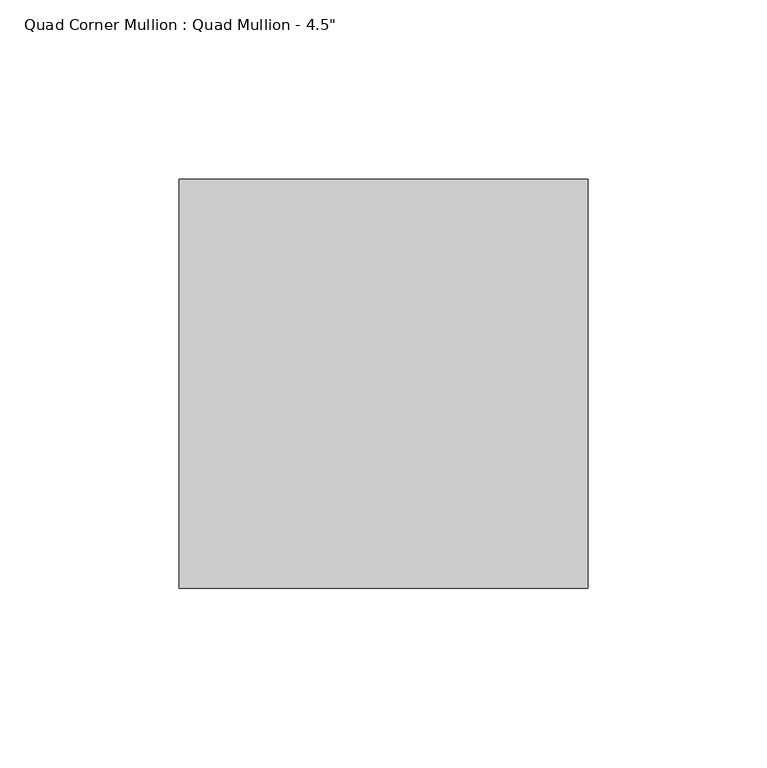
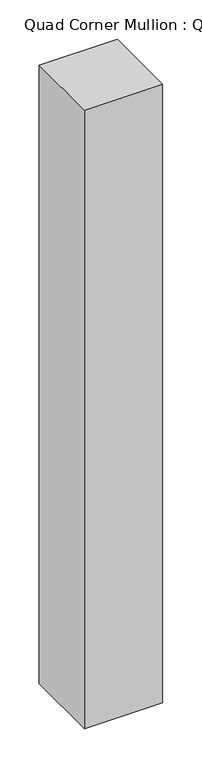
"""IFC4 building model written with IfcOpenShell, lengths in millimetres: member geometry."""

from ifc_helpers import new_model, si_unit, frame, origin, place, context, project, spatial, polyline, outline, extrude, source, transform, mapped, element, save


def member_0ededc0a(model_context):
    return source(origin(), model_context, "Body", "SweptSolid", [
        extrude(outline(polyline([(57.15, 57.15), (57.15, -57.15), (-57.15, -57.15), (-57.15, 57.15), (57.15, 57.15)])), frame((0.0, 0.0, -956.4076923), z_axis=(0.0, 0.0, 1.0), x_axis=(1.0, 0.0, 0.0)), (0.0, 0.0, 1.0), 956.4076923),
    ])


if __name__ == "__main__":
    model = new_model("IFC4")
    model_context = context("Model", 3, world=origin())
    ifc_project = project(units=[si_unit("LENGTHUNIT", "METRE", prefix="MILLI")], contexts=[model_context])
    site = spatial("IfcSite", under=ifc_project)
    building = spatial("IfcBuilding", under=site)
    placement = place(None, origin())
    member_shape = member_0ededc0a(model_context)
    element("IfcMember", 1, ObjectType="Quad Corner Mullion : Quad Mullion - 4.5\"", at=placement, inside=building, context=model_context, shape_type="MappedRepresentation", body=[
        mapped(member_shape, transform((0.0, 0.0, 0.0), x_axis=(1.0, 0.0, 0.0), y_axis=(0.0, 1.0, 0.0), z_axis=(0.0, 0.0, 1.0))),
    ])
    save(model, "model.ifc")
